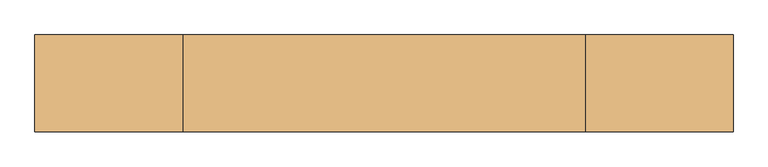
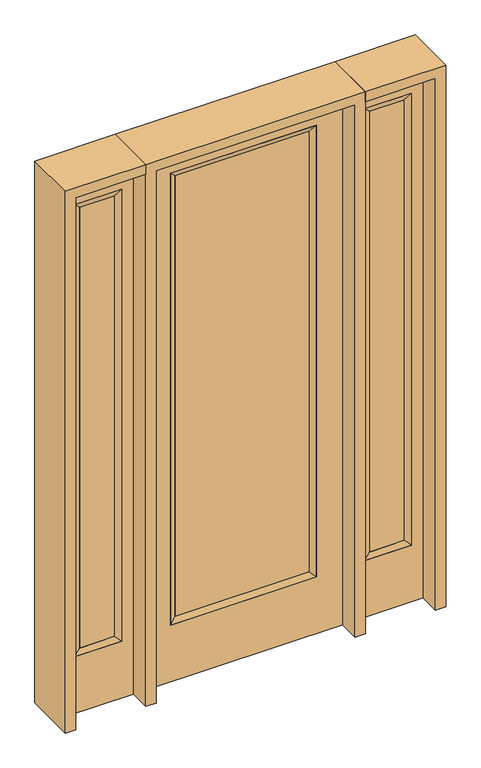
"""IFC4 building model written with IfcOpenShell, lengths in millimetres: door geometry."""

from ifc_helpers import new_model, si_unit, frame, origin, place, context, project, spatial, polyline, outline, extrude, faceted_brep, source, transform, mapped, element, save


def door_cc53a334(model_context):
    return source(origin(), model_context, "Body", "SolidModel", [
        extrude(outline(polyline([(290.9824, -12.7039749), (-290.9824, -12.7039749), (-290.9824, 14.2875), (290.9824, 14.2875), (290.9824, -12.7039749)])), frame((0.0, 0.0, 285.75), z_axis=(0.0, 0.0, 1.0), x_axis=(1.0, 0.0, 0.0)), (0.0, 0.0, 1.0), 2019.3),
        faceted_brep([(290.9824, 14.2875, 2305.05), (316.3824, 22.225, 2330.45), (316.3824, 22.225, 260.35), (290.9824, 14.2875, 285.75), (316.3824, -22.225, 2330.45), (316.3824, -22.225, 260.35), (-316.3824, 22.225, 260.35), (-290.9824, 14.2875, 285.75), (290.9824, -12.7039749, 2305.05), (290.9824, -12.7039749, 285.75), (-290.9824, -12.7039749, 285.75), (-316.3824, -22.225, 260.35), (-316.3824, 22.225, 2330.45), (-290.9824, 14.2875, 2305.05), (-290.9824, -12.7039749, 2305.05), (-316.3824, -22.225, 2330.45)], [[[0, 1, 2, 3]], [[1, 4, 5, 2]], [[3, 2, 6, 7]], [[8, 0, 3, 9]], [[9, 3, 7, 10]], [[4, 8, 9, 5]], [[5, 9, 10, 11]], [[2, 5, 11, 6]], [[7, 6, 12, 13]], [[10, 7, 13, 14]], [[11, 10, 14, 15]], [[6, 11, 15, 12]], [[13, 12, 1, 0]], [[14, 13, 0, 8]], [[15, 14, 8, 4]], [[12, 15, 4, 1]]]),
        extrude(outline(polyline([(0.0, -431.8), (0.0, 431.8), (2438.4, 431.8), (2438.4, -431.8), (0.0, -431.8)]), holes=[polyline([(260.35, -316.3824), (2330.45, -316.3824), (2330.45, 316.3824), (260.35, 316.3824), (260.35, -316.3824)])]), frame((0.0, -22.225, 0.0), z_axis=(0.0, 1.0, 0.0), x_axis=(0.0, 0.0, 1.0)), (0.0, 0.0, 1.0), 44.45),
        faceted_brep([(527.05, 20.6375, 2330.45), (527.05, 20.6375, 260.35), (527.05, -20.6375, 260.35), (527.05, -20.6375, 2330.45), (552.45, -12.7, 285.75), (552.45, -12.7, 2305.05), (730.25, 20.6375, 260.35), (730.25, -20.6375, 260.35), (552.45, 12.7, 2305.05), (552.45, 12.7, 285.75), (704.85, 12.7, 285.75), (704.85, -12.7, 285.75), (730.25, 20.6375, 2330.45), (730.25, -20.6375, 2330.45), (704.85, 12.7, 2305.05), (704.85, -12.7, 2305.05)], [[[0, 1, 2, 3]], [[3, 2, 4, 5]], [[1, 6, 7, 2]], [[8, 9, 1, 0]], [[9, 10, 6, 1]], [[5, 4, 9, 8]], [[4, 11, 10, 9]], [[2, 7, 11, 4]], [[6, 12, 13, 7]], [[10, 14, 12, 6]], [[11, 15, 14, 10]], [[7, 13, 15, 11]], [[12, 0, 3, 13]], [[14, 8, 0, 12]], [[15, 5, 8, 14]], [[13, 3, 5, 15]]]),
        extrude(outline(polyline([(0.0, 781.05), (2438.4, 781.05), (2438.4, 476.25), (0.0, 476.25), (0.0, 781.05)]), holes=[polyline([(2330.45, 527.05), (2330.45, 730.25), (260.35, 730.25), (260.35, 527.05), (2330.45, 527.05)])]), frame((0.0, -20.6375, 0.0), z_axis=(0.0, 1.0, 0.0), x_axis=(0.0, 0.0, 1.0)), (0.0, 0.0, 1.0), 41.275),
        extrude(outline(polyline([(552.45, -12.7), (552.45, 12.7), (704.85, 12.7), (704.85, -12.7), (552.45, -12.7)])), frame((0.0, 0.0, 284.95625), z_axis=(0.0, 0.0, 1.0), x_axis=(1.0, 0.0, 0.0)), (0.0, 0.0, 1.0), 2020.09375),
        faceted_brep([(-527.05, 20.6375, 2330.45), (-527.05, -20.6375, 2330.45), (-527.05, -20.6375, 260.35), (-527.05, 20.6375, 260.35), (-552.45, -12.7, 2305.05), (-552.45, -12.7, 285.75), (-730.25, -20.6375, 260.35), (-730.25, 20.6375, 260.35), (-552.45, 12.7, 2305.05), (-552.45, 12.7, 285.75), (-704.85, 12.7, 285.75), (-704.85, -12.7, 285.75), (-730.25, -20.6375, 2330.45), (-730.25, 20.6375, 2330.45), (-704.85, 12.7, 2305.05), (-704.85, -12.7, 2305.05)], [[[0, 1, 2, 3]], [[1, 4, 5, 2]], [[3, 2, 6, 7]], [[8, 0, 3, 9]], [[9, 3, 7, 10]], [[4, 8, 9, 5]], [[5, 9, 10, 11]], [[2, 5, 11, 6]], [[7, 6, 12, 13]], [[10, 7, 13, 14]], [[11, 10, 14, 15]], [[6, 11, 15, 12]], [[13, 12, 1, 0]], [[14, 13, 0, 8]], [[15, 14, 8, 4]], [[12, 15, 4, 1]]]),
        extrude(outline(polyline([(0.0, -781.05), (0.0, -476.25), (2438.4, -476.25), (2438.4, -781.05), (0.0, -781.05)]), holes=[polyline([(2330.45, -527.05), (260.35, -527.05), (260.35, -730.25), (2330.45, -730.25), (2330.45, -527.05)])]), frame((0.0, -20.6375, 0.0), z_axis=(0.0, 1.0, 0.0), x_axis=(0.0, 0.0, 1.0)), (0.0, 0.0, 1.0), 41.275),
        extrude(outline(polyline([(-552.45, -12.7), (-704.85, -12.7), (-704.85, 12.7), (-552.45, 12.7), (-552.45, -12.7)])), frame((0.0, 0.0, 284.95625), z_axis=(0.0, 0.0, 1.0), x_axis=(1.0, 0.0, 0.0)), (0.0, 0.0, 1.0), 2020.09375),
        extrude(outline(polyline([(2438.4, -476.25), (2482.85, -476.25), (2482.85, -825.5), (0.0, -825.5), (0.0, -781.05), (2438.4, -781.05), (2438.4, -476.25)])), frame((0.0, -114.3, 0.0), z_axis=(0.0, 1.0, 0.0), x_axis=(0.0, 0.0, 1.0)), (0.0, 0.0, 1.0), 228.6),
        extrude(outline(polyline([(2482.85, -476.25), (0.0, -476.25), (0.0, -431.8), (2438.4, -431.8), (2438.4, 431.8), (0.0, 431.8), (0.0, 476.25), (2482.85, 476.25), (2482.85, -476.25)])), frame((0.0, -114.3, 0.0), z_axis=(0.0, 1.0, 0.0), x_axis=(0.0, 0.0, 1.0)), (0.0, 0.0, 1.0), 228.6),
        extrude(outline(polyline([(0.0, 781.05), (0.0, 825.5), (2482.85, 825.5), (2482.85, 476.25), (2438.4, 476.25), (2438.4, 781.05), (0.0, 781.05)])), frame((0.0, -114.3, 0.0), z_axis=(0.0, 1.0, 0.0), x_axis=(0.0, 0.0, 1.0)), (0.0, 0.0, 1.0), 228.6),
    ])


if __name__ == "__main__":
    model = new_model("IFC4")
    model_context = context("Model", 3, world=origin())
    ifc_project = project(units=[si_unit("LENGTHUNIT", "METRE", prefix="MILLI")], contexts=[model_context])
    site = spatial("IfcSite", under=ifc_project)
    building = spatial("IfcBuilding", under=site)
    placement = place(None, origin())
    door_shape = door_cc53a334(model_context)
    element("IfcDoor", 1, at=placement, inside=building, context=model_context, shape_type="MappedRepresentation", body=[
        mapped(door_shape, transform((0.0, 0.0, 0.0), x_axis=(1.0, 0.0, 0.0), y_axis=(0.0, 1.0, 0.0), z_axis=(0.0, 0.0, 1.0))),
    ])
    save(model, "model.ifc")
